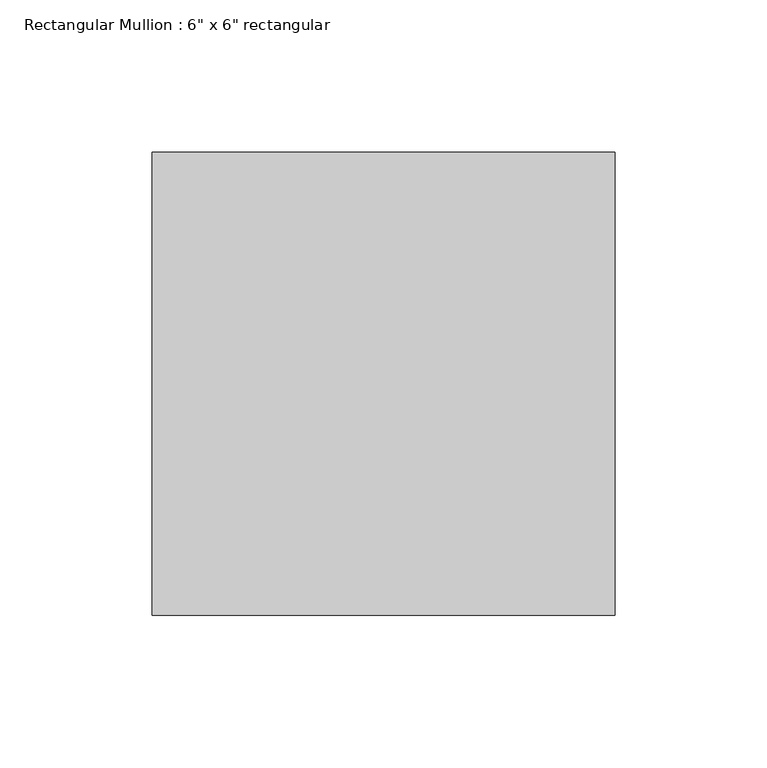
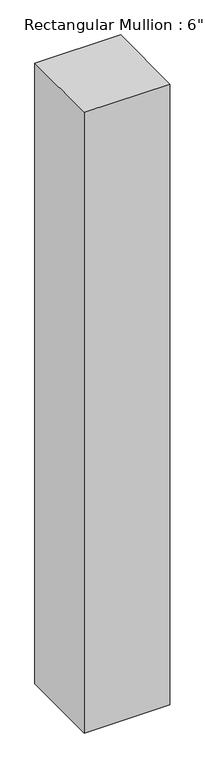
"""IFC4 building model written with IfcOpenShell, lengths in millimetres: member geometry."""

from ifc_helpers import new_model, si_unit, frame, origin, place, context, project, spatial, polyline, outline, extrude, source, transform, mapped, element, save


def member_0b87a29e(model_context):
    return source(origin(), model_context, "Body", "SweptSolid", [
        extrude(outline(polyline([(0.0, 76.2), (0.0, -76.2), (-152.4, -76.2), (-152.4, 76.2), (0.0, 76.2)])), frame((0.0, 0.0, -1168.4), z_axis=(0.0, 0.0, 1.0), x_axis=(1.0, 0.0, 0.0)), (0.0, 0.0, 1.0), 1168.4),
    ])


if __name__ == "__main__":
    model = new_model("IFC4")
    model_context = context("Model", 3, world=origin())
    ifc_project = project(units=[si_unit("LENGTHUNIT", "METRE", prefix="MILLI")], contexts=[model_context])
    site = spatial("IfcSite", under=ifc_project)
    building = spatial("IfcBuilding", under=site)
    placement = place(None, origin())
    member_shape = member_0b87a29e(model_context)
    element("IfcMember", 1, ObjectType="Rectangular Mullion : 6\" x 6\" rectangular", at=placement, inside=building, context=model_context, shape_type="MappedRepresentation", body=[
        mapped(member_shape, transform((0.0, 0.0, 0.0), x_axis=(1.0, 0.0, 0.0), y_axis=(0.0, 1.0, 0.0), z_axis=(0.0, 0.0, 1.0))),
    ])
    save(model, "model.ifc")
